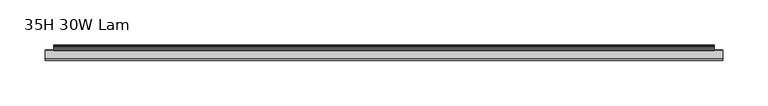
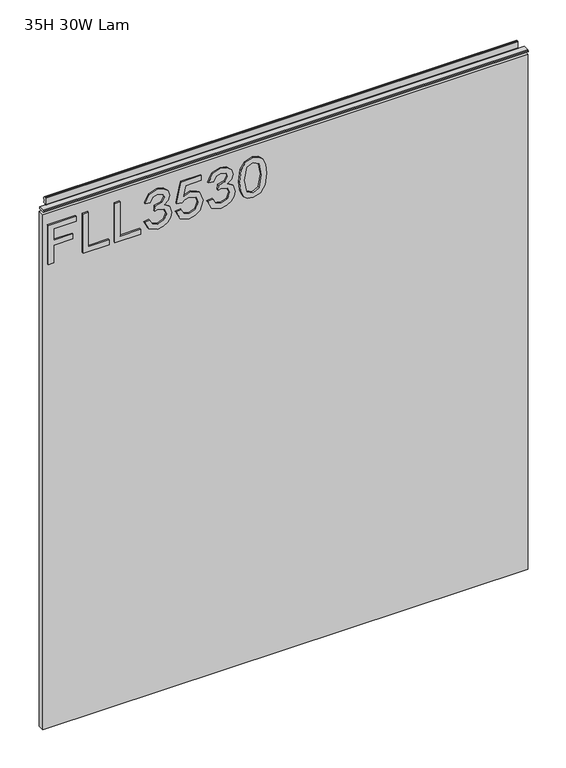
"""IFC4 building model written with IfcOpenShell, lengths in millimetres: furniture geometry, 35H 30W Lam."""

import ifcopenshell
import ifcopenshell.guid

model = None  # the IFC model being written
_history = None  # IfcOwnerHistory: only IFC2X3 demands one
_inside = {}  # id of a spatial element -> (the spatial element, [elements in it])
_under = {}  # id of a project, library or spatial element -> (it, [spatial elements below it])
_declared = {}  # id of a project -> (the project, [libraries it declares])
_typed = {}  # id of a type object -> (the type object, [elements of that type])
_made_of = {}  # id of a material, layer set ... -> (it, [elements and type objects made of it])


def new_model(schema):
    """Start an empty IFC model of exactly this schema.

    Asked for "IFC4X3", IfcOpenShell would pick the latest addendum, in which some entities
    have other attributes; the version numbers below select the first issue.
    IFC2X3 requires an IfcOwnerHistory on every rooted entity: one is made here for all.
    """
    global model, _history
    if schema == "IFC4X3":
        model = ifcopenshell.file(schema_version=(4, 3, 0, 0))
    else:
        model = ifcopenshell.file(schema=schema)
    _inside.clear()
    _under.clear()
    _declared.clear()
    _typed.clear()
    _made_of.clear()
    _history = None
    if model.schema == "IFC2X3":
        org = make("IfcOrganization", Name="unknown")
        user = make(
            "IfcPersonAndOrganization",
            ThePerson=make("IfcPerson", FamilyName="unknown"),
            TheOrganization=org,
        )
        app = make(
            "IfcApplication",
            ApplicationDeveloper=org,
            Version="unknown",
            ApplicationFullName="unknown",
            ApplicationIdentifier="unknown",
        )
        _history = make(
            "IfcOwnerHistory",
            OwningUser=user,
            OwningApplication=app,
            ChangeAction="ADDED",
            CreationDate=0,
        )
    return model


def make(cls, **values):
    """One entity of the class cls with the attributes given. An attribute that is None is left unset."""
    return model.create_entity(
        cls, **{name: value for name, value in values.items() if value is not None}
    )


def rooted(cls, **values):
    """An entity with a GlobalId (a new one), such as an element, a storey or a relation."""
    return make(cls, GlobalId=ifcopenshell.guid.new(), OwnerHistory=_history, **values)


def si_unit(unit_type, name, prefix=None):
    """IfcSIUnit, for example si_unit("LENGTHUNIT", "METRE", prefix="MILLI")."""
    return make("IfcSIUnit", UnitType=unit_type, Prefix=prefix, Name=name)


def assignment(units):
    """IfcUnitAssignment: the units of a project."""
    return None if units is None else make("IfcUnitAssignment", Units=units)


def point(xyz):
    """IfcCartesianPoint."""
    return None if xyz is None else make("IfcCartesianPoint", Coordinates=xyz)


def direction(xyz):
    """IfcDirection."""
    return None if xyz is None else make("IfcDirection", DirectionRatios=xyz)


def frame(location, z_axis=None, x_axis=None):
    """IfcAxis2Placement3D, a coordinate frame: its origin and axes. An axis left out is left unset."""
    return make(
        "IfcAxis2Placement3D",
        Location=point(location),
        Axis=direction(z_axis),
        RefDirection=direction(x_axis),
    )


def origin():
    """The frame at (0, 0, 0) with its axes left unset."""
    return frame((0.0, 0.0, 0.0))


def place(relative_to, where):
    """IfcLocalPlacement: puts the frame where relative to a parent placement (None: the world)."""
    return make(
        "IfcLocalPlacement", PlacementRelTo=relative_to, RelativePlacement=where
    )


def context(
    kind, dimensions, precision=None, world=None, true_north=None, identifier=None
):
    """IfcGeometricRepresentationContext, for example the 3D "Model" context."""
    return make(
        "IfcGeometricRepresentationContext",
        ContextIdentifier=identifier,
        ContextType=kind,
        CoordinateSpaceDimension=dimensions,
        Precision=precision,
        WorldCoordinateSystem=world,
        TrueNorth=true_north,
    )


def project(units=None, contexts=None):
    """IfcProject with its units and contexts."""
    return rooted(
        "IfcProject",
        Name="project",
        RepresentationContexts=contexts,
        UnitsInContext=assignment(units),
    )


def spatial(cls, under=None, at=None, **own):
    """A site, building, storey or space (cls), placed at a placement, below another one or the project."""
    s = rooted(cls, ObjectPlacement=at, **own)
    if under is not None:
        _under.setdefault(under.id(), (under, []))[1].append(s)
    return s


def polyline(points):
    """IfcPolyline through the points."""
    return make("IfcPolyline", Points=[point(p) for p in points])


def outline(outer, holes=None, kind="AREA"):
    """IfcArbitraryClosedProfileDef: a profile drawn as a closed curve; with holes, ...WithVoids."""
    if holes is None:
        return make("IfcArbitraryClosedProfileDef", ProfileType=kind, OuterCurve=outer)
    return make(
        "IfcArbitraryProfileDefWithVoids",
        ProfileType=kind,
        OuterCurve=outer,
        InnerCurves=holes,
    )


def extrude(swept, where, along, depth):
    """IfcExtrudedAreaSolid: the profile swept, set in the frame where, extruded along a direction by depth."""
    return make(
        "IfcExtrudedAreaSolid",
        SweptArea=swept,
        Position=where,
        ExtrudedDirection=direction(along),
        Depth=depth,
    )


def shape(context_of_items, identifier, shape_type, items):
    """IfcShapeRepresentation: the items that make up one representation, for example the "Body"."""
    return make(
        "IfcShapeRepresentation",
        ContextOfItems=context_of_items,
        RepresentationIdentifier=identifier,
        RepresentationType=shape_type,
        Items=items,
    )


def source(mapping_origin, context_of_items, identifier, shape_type, items):
    """IfcRepresentationMap: a shape defined once, which mapped items show again and again."""
    return make(
        "IfcRepresentationMap",
        MappingOrigin=mapping_origin,
        MappedRepresentation=shape(context_of_items, identifier, shape_type, items),
    )


def transform(
    local_origin,
    x_axis=None,
    y_axis=None,
    z_axis=None,
    scale=None,
    scale2=None,
    scale3=None,
    uniform=True,
):
    """IfcCartesianTransformationOperator3D, or its non-uniform kind. x_axis, y_axis, z_axis: its Axis1, 2, 3."""
    if uniform:
        return make(
            "IfcCartesianTransformationOperator3D",
            Axis1=direction(x_axis),
            Axis2=direction(y_axis),
            LocalOrigin=point(local_origin),
            Scale=scale,
            Axis3=direction(z_axis),
        )
    return make(
        "IfcCartesianTransformationOperator3DnonUniform",
        Axis1=direction(x_axis),
        Axis2=direction(y_axis),
        LocalOrigin=point(local_origin),
        Scale=scale,
        Axis3=direction(z_axis),
        Scale2=scale2,
        Scale3=scale3,
    )


def mapped(mapping_source, mapping_target):
    """IfcMappedItem: shows the shape of a source again, moved by a transform."""
    return make(
        "IfcMappedItem", MappingSource=mapping_source, MappingTarget=mapping_target
    )


def made_of(thing, what):
    """Note that an element or type object is made of a material, layer set ...; save() writes the relation."""
    if what is not None:
        _made_of.setdefault(what.id(), (what, []))[1].append(thing)
    return thing


def element(
    cls,
    number,
    at=None,
    inside=None,
    cuts=None,
    type_object=None,
    material=None,
    context=None,
    identifier="Body",
    shape_type=None,
    held_by="IfcProductDefinitionShape",
    body=None,
    shapes=None,
    **own,
):
    """One element of the class cls, such as IfcWall. Its Tag is "e" and its number.

    at: its placement. inside: the storey or other place that contains it. cuts: it is an
    opening in that element (IfcRelVoidsElement). A single representation is given by context,
    identifier, shape_type and body (its items); several are given by shapes. held_by: the class
    of the entity that holds the representations. save() writes the other relations.
    """
    e = rooted(cls, Tag="e%d" % number, ObjectPlacement=at, **own)
    if body is not None:
        shapes = [shape(context, identifier, shape_type, body)]
    if shapes is not None:
        e.Representation = make(held_by, Representations=shapes)
    if inside is not None:
        _inside.setdefault(inside.id(), (inside, []))[1].append(e)
    if cuts is not None:
        rooted(
            "IfcRelVoidsElement", RelatingBuildingElement=cuts, RelatedOpeningElement=e
        )
    if type_object is not None:
        _typed.setdefault(type_object.id(), (type_object, []))[1].append(e)
    return made_of(e, material)


def aggregate(whole, parts):
    """IfcRelAggregates: a whole, such as a stair, and the parts it consists of."""
    return rooted("IfcRelAggregates", RelatingObject=whole, RelatedObjects=parts)


def save(model, path):
    """Write the relations noted so far, then the file.

    IfcRelAggregates (storeys below a building ...), IfcRelContainedInSpatialStructure (elements
    in a storey), IfcRelDefinesByType, IfcRelAssociatesMaterial and IfcRelDeclares: one each for
    every whole, place, type object, material and project.
    """
    for whole, parts in _under.values():
        aggregate(whole, parts)
    for where, things in _inside.values():
        rooted(
            "IfcRelContainedInSpatialStructure",
            RelatedElements=things,
            RelatingStructure=where,
        )
    for kind, things in _typed.values():
        rooted("IfcRelDefinesByType", RelatedObjects=things, RelatingType=kind)
    for what, things in _made_of.values():
        rooted("IfcRelAssociatesMaterial", RelatedObjects=things, RelatingMaterial=what)
    for by, libraries in _declared.values():
        rooted("IfcRelDeclares", RelatingContext=by, RelatedDefinitions=libraries)
    model.write(path)


def furniture_35h_30w_lam_317173fe(model_context):
    return source(origin(), model_context, "Body", "SweptSolid", [
        extrude(outline(polyline([(773.6078, -291.2189953), (773.6078, -283.2452757), (802.5125336, -283.2452757), (802.5125336, -253.3438271), (810.4862532, -253.3438271), (810.4862532, -283.2452757), (829.4238373, -283.2452757), (829.4238373, -248.3602524), (837.3975569, -248.3602524), (837.3975569, -291.2189953), (773.6078, -291.2189953)])), frame((0.0, -5.5562439, 0.0), z_axis=(0.0, 1.0, 0.0), x_axis=(0.0, 0.0, 1.0)), (0.0, 0.0, 1.0), 2.38125),
        extrude(outline(polyline([(773.6078, -237.3963879), (773.6078, -197.5277898), (781.5815196, -197.5277898), (781.5815196, -229.4226683), (837.3975569, -229.4226683), (837.3975569, -237.3963879), (773.6078, -237.3963879)])), frame((0.0, -5.5562439, 0.0), z_axis=(0.0, 1.0, 0.0), x_axis=(0.0, 0.0, 1.0)), (0.0, 0.0, 1.0), 2.38125),
        extrude(outline(polyline([(773.6078, -188.5573553), (773.6078, -148.6887572), (781.5815196, -148.6887572), (781.5815196, -180.5836356), (837.3975569, -180.5836356), (837.3975569, -188.5573553), (773.6078, -188.5573553)])), frame((0.0, -5.5562439, 0.0), z_axis=(0.0, 1.0, 0.0), x_axis=(0.0, 0.0, 1.0)), (0.0, 0.0, 1.0), 2.38125),
        extrude(outline(polyline([(790.5519542, -142.7084674), (777.6102335, -136.3699833), (772.611085, -122.3848266), (774.0750101, -113.8621351), (778.4667854, -106.9513185), (784.9610063, -102.3726592), (792.7322681, -100.8464395), (803.1043331, -103.898879), (808.555118, -112.5889875), (813.8345925, -106.0480456), (821.1853653, -103.8365843), (829.2291664, -106.1648481), (835.2094562, -112.8926741), (837.3975569, -122.509416), (832.9590607, -135.1863843), (820.4534028, -141.7117525), (819.4566878, -133.7380329), (826.9320499, -129.8290414), (829.4238373, -122.2290899), (826.9554105, -114.7225804), (820.7181552, -111.8103039), (813.6788558, -115.8283111), (811.4829682, -126.153655), (803.5092486, -127.0413543), (804.3813742, -121.4504064), (801.11869, -112.3865298), (792.8724312, -108.8201591), (784.120028, -112.4176771), (780.5848047, -122.1045005), (783.1544604, -130.3351857), (791.5486691, -134.7347478), (790.5519542, -142.7084674)])), frame((0.0, -5.5562439, 0.0), z_axis=(0.0, 1.0, 0.0), x_axis=(0.0, 0.0, 1.0)), (0.0, 0.0, 1.0), 2.38125),
        extrude(outline(polyline([(790.5519542, -93.8694348), (777.5245783, -87.6477532), (772.611085, -73.5769413), (774.5227532, -64.1860176), (780.2577576, -57.0065552), (795.0527451, -52.0074068), (809.7542907, -57.5594205), (815.469828, -71.1941696), (810.8600213, -82.8588493), (828.4271224, -79.4482153), (828.4271224, -54.9975516), (836.400842, -54.9975516), (836.400842, -85.8957152), (803.5092486, -92.8727198), (802.5125336, -84.8990002), (806.1100516, -80.4215698), (807.4961084, -73.4212046), (804.0231797, -63.3216789), (794.5543877, -59.9811264), (784.4081409, -63.5474971), (780.5848047, -73.545794), (783.3335576, -81.877708), (791.5486691, -85.8957152), (790.5519542, -93.8694348)])), frame((0.0, -5.5562439, 0.0), z_axis=(0.0, 1.0, 0.0), x_axis=(0.0, 0.0, 1.0)), (0.0, 0.0, 1.0), 2.38125),
        extrude(outline(polyline([(790.5519542, -45.0304021), (777.6102335, -38.691918), (772.611085, -24.7067613), (774.0750101, -16.1840698), (778.4667854, -9.2732532), (784.9610063, -4.6945939), (792.7322681, -3.1683741), (803.1043331, -6.2208137), (808.555118, -14.9109222), (813.8345925, -8.3699803), (821.1853653, -6.158519), (829.2291664, -8.4867828), (835.2094562, -15.2146087), (837.3975569, -24.8313507), (832.9590607, -37.508319), (820.4534028, -44.0336872), (819.4566878, -36.0599676), (826.9320499, -32.1509761), (829.4238373, -24.5510246), (826.9554105, -17.0445151), (820.7181552, -14.1322386), (813.6788558, -18.1502458), (811.4829682, -28.4755897), (803.5092486, -29.363289), (804.3813742, -23.772341), (801.11869, -14.7084644), (792.8724312, -11.1420937), (784.120028, -14.7396118), (780.5848047, -24.4264352), (783.1544604, -32.6571204), (791.5486691, -37.0566825), (790.5519542, -45.0304021)])), frame((0.0, -5.5562439, 0.0), z_axis=(0.0, 1.0, 0.0), x_axis=(0.0, 0.0, 1.0)), (0.0, 0.0, 1.0), 2.38125),
        extrude(outline(polyline([(804.9887473, 3.8086305), (789.4734775, 5.397145), (778.6848168, 10.1626884), (774.129518, 16.4544515), (772.611085, 24.7396445), (776.1073742, 36.412111), (786.7130443, 43.3501815), (804.9887473, 45.6706585), (819.9784058, 44.2223071), (829.4160505, 40.484626), (835.3418324, 34.0526999), (837.3975569, 24.7396445), (833.9246283, 13.113899), (823.3423188, 6.152468), (804.9887473, 3.8086305)]), holes=[polyline([(805.004321, 11.7823502), (825.1566514, 15.6446206), (829.4238373, 24.6462025), (824.5804256, 34.0838472), (805.004321, 37.6969389), (785.2179718, 33.9592578), (780.5848047, 24.7396445), (785.2023982, 15.5200312), (805.004321, 11.7823502)])]), frame((0.0, -5.5562439, 0.0), z_axis=(0.0, 1.0, 0.0), x_axis=(0.0, 0.0, 1.0)), (0.0, 0.0, 1.0), 2.38125),
        extrude(outline(polyline([(5.5562561, 863.6), (6.3500061, 863.6), (6.3500061, 873.47425), (7.1437561, 874.268), (8.6677569, 874.268), (10.0084363, 873.8506926), (10.875413, 872.7461816), (10.9623604, 871.3447591), (10.2390011, 868.3863459), (10.4046103, 867.1833307), (11.6746103, 864.9836103), (10.7786383, 864.4663244), (7.1437561, 864.4663244), (7.1437561, 863.6), (6.3500061, 863.3669239), (6.3500061, 856.1578), (5.5562561, 856.1578), (5.5562561, 863.6)])), frame((-288.671, 0.0, 0.0), z_axis=(1.0, 0.0, 0.0), x_axis=(0.0, 1.0, 0.0)), (0.0, 0.0, 1.0), 729.742),
        extrude(outline(polyline([(5.5562561, 863.6), (5.5562561, 860.4249996), (-3.975094, 860.4249996), (-5.3492339, 861.2183657), (-5.3492339, 862.8066395), (-3.9751037, 863.6), (5.5562561, 863.6)])), frame((-298.196, 0.0, 0.0), z_axis=(1.0, 0.0, 0.0), x_axis=(0.0, 1.0, 0.0)), (0.0, 0.0, 1.0), 748.792),
        extrude(outline(polyline([(450.596, 6.3500061), (450.596, -3.1749939), (-298.196, -3.1749939), (-298.196, 6.3500061), (450.596, 6.3500061)])), frame((0.0, 0.0, 15.79626), z_axis=(0.0, 0.0, 1.0), x_axis=(1.0, 0.0, 0.0)), (0.0, 0.0, 1.0), 840.36154),
    ])


if __name__ == "__main__":
    model = new_model("IFC4")
    model_context = context("Model", 3, world=origin())
    ifc_project = project(units=[si_unit("LENGTHUNIT", "METRE", prefix="MILLI")], contexts=[model_context])
    site = spatial("IfcSite", under=ifc_project)
    building = spatial("IfcBuilding", under=site)
    placement = place(None, origin())
    furniture_35h_30w_lam_shape = furniture_35h_30w_lam_317173fe(model_context)
    element("IfcFurniture", 1, ObjectType="35H 30W Lam", at=placement, inside=building, context=model_context, shape_type="MappedRepresentation", body=[
        mapped(furniture_35h_30w_lam_shape, transform((0.0, 0.0, 0.0), x_axis=(1.0, 0.0, 0.0), y_axis=(0.0, 1.0, 0.0), z_axis=(0.0, 0.0, 1.0))),
    ])
    save(model, "model.ifc")
